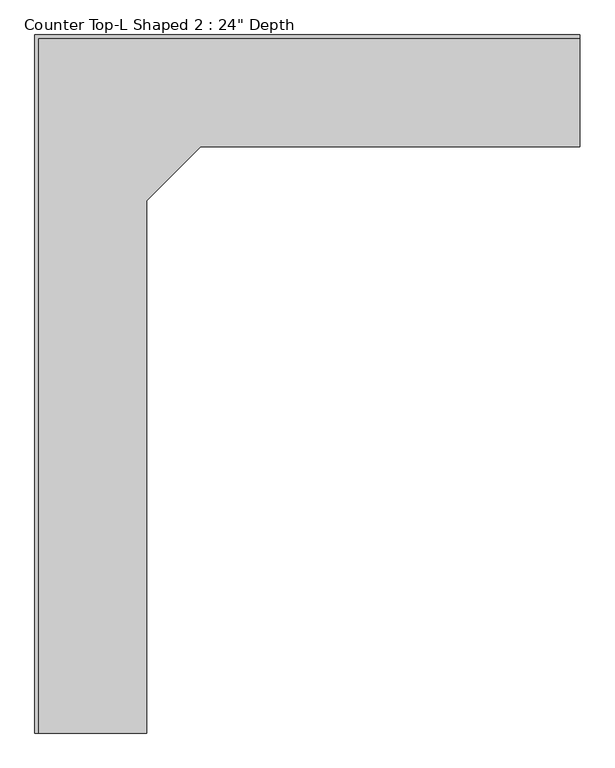
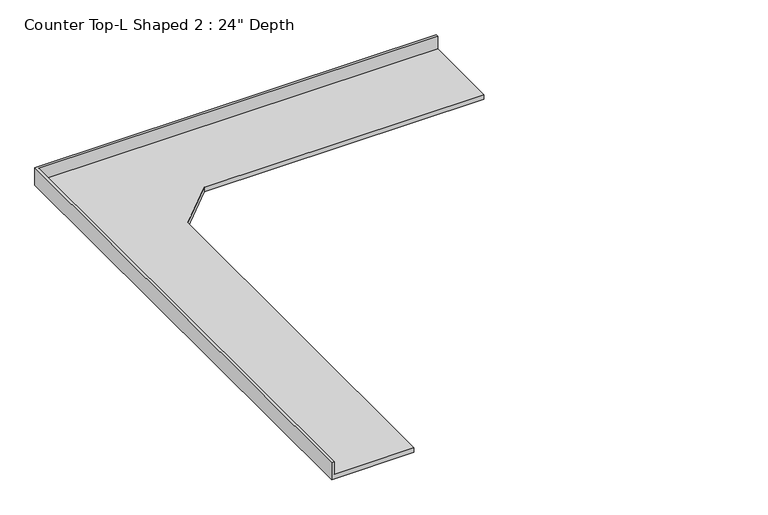
"""IFC4 building model written with IfcOpenShell, lengths in millimetres: furniture geometry."""

from ifc_helpers import new_model, si_unit, origin, place, context, project, spatial, faceted_brep, source, transform, mapped, element, save


def furniture_9d0979ec(model_context):
    return source(origin(), model_context, "Body", "Brep", [
        faceted_brep([(-565.4622951, -3962.4, 914.4), (-565.4622951, -939.8, 914.4), (-260.6622951, -635.0, 914.4), (1895.8795004, -635.0, 914.4), (1895.8795004, -19.05, 914.4), (-1181.4122951, -19.05, 914.4), (-1181.4122951, -3962.4, 914.4), (1895.8795004, 0.0, 876.3), (1895.8795004, -635.0, 876.3), (-260.6622951, -635.0, 876.3), (-565.4622951, -939.8, 876.3), (-565.4622951, -3962.4, 876.3), (-1200.4622951, -3962.4, 876.3), (-1200.4622951, 0.0, 876.3), (-1200.4622951, 0.0, 1016.0), (1895.8795004, 0.0, 1016.0), (-1200.4622951, -3962.4, 1016.0), (-1181.4122951, -3962.4, 1016.0), (1895.8795004, -19.05, 1016.0), (-1181.4122951, -19.05, 1016.0)], [[[0, 1, 2, 3, 4, 5, 6]], [[7, 8, 9, 10, 11, 12, 13]], [[7, 13, 14, 15]], [[13, 12, 16, 14]], [[16, 12, 11, 0, 6, 17]], [[1, 0, 11, 10]], [[2, 1, 10, 9]], [[3, 2, 9, 8]], [[8, 7, 15, 18, 4, 3]], [[14, 16, 17, 19, 18, 15]], [[4, 18, 19, 5]], [[19, 17, 6, 5]]]),
    ])


if __name__ == "__main__":
    model = new_model("IFC4")
    model_context = context("Model", 3, world=origin())
    ifc_project = project(units=[si_unit("LENGTHUNIT", "METRE", prefix="MILLI")], contexts=[model_context])
    site = spatial("IfcSite", under=ifc_project)
    building = spatial("IfcBuilding", under=site)
    placement = place(None, origin())
    furniture_shape = furniture_9d0979ec(model_context)
    element("IfcFurniture", 1, ObjectType="Counter Top-L Shaped 2 : 24\" Depth", at=placement, inside=building, context=model_context, shape_type="MappedRepresentation", body=[
        mapped(furniture_shape, transform((0.0, 0.0, 0.0), x_axis=(1.0, 0.0, 0.0), y_axis=(0.0, 1.0, 0.0), z_axis=(0.0, 0.0, 1.0))),
    ])
    save(model, "model.ifc")
